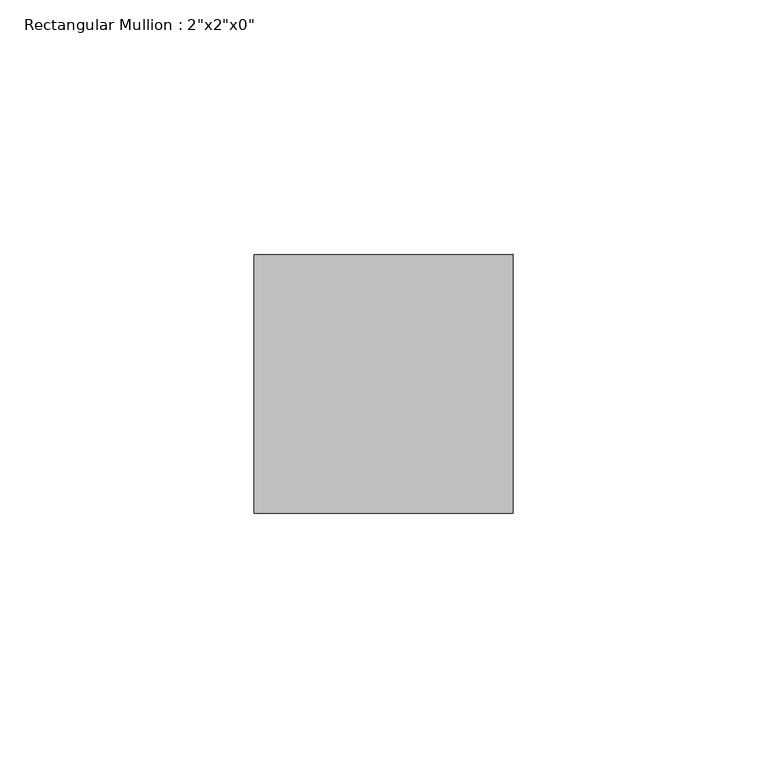
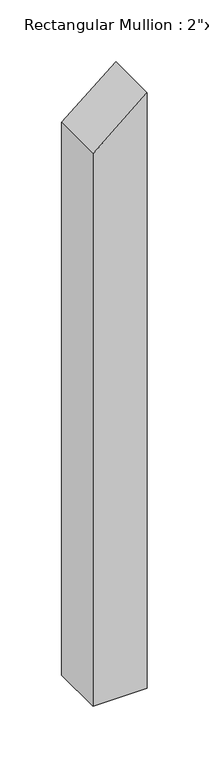
"""IFC4 building model written with IfcOpenShell, lengths in millimetres: member geometry."""

from ifc_helpers import new_model, si_unit, frame, origin, place, context, project, spatial, polyline, outline, extrude, source, transform, mapped, element, save


def member_6f09becf(model_context):
    return source(origin(), model_context, "Body", "SweptSolid", [
        extrude(outline(polyline([(-33.0425367, 0.0), (-75.3106916, -50.8), (-621.9247799, -50.8), (-621.9247799, 0.0), (-33.0425367, 0.0)])), frame((0.0, -25.4, 0.0), z_axis=(0.0, 1.0, 0.0), x_axis=(0.0, 0.0, 1.0)), (0.0, 0.0, 1.0), 50.8),
    ])


if __name__ == "__main__":
    model = new_model("IFC4")
    model_context = context("Model", 3, world=origin())
    ifc_project = project(units=[si_unit("LENGTHUNIT", "METRE", prefix="MILLI")], contexts=[model_context])
    site = spatial("IfcSite", under=ifc_project)
    building = spatial("IfcBuilding", under=site)
    placement = place(None, origin())
    member_shape = member_6f09becf(model_context)
    element("IfcMember", 1, ObjectType="Rectangular Mullion : 2\"x2\"x0\"", at=placement, inside=building, context=model_context, shape_type="MappedRepresentation", body=[
        mapped(member_shape, transform((0.0, 0.0, 0.0), x_axis=(1.0, 0.0, 0.0), y_axis=(0.0, 1.0, 0.0), z_axis=(0.0, 0.0, 1.0))),
    ])
    save(model, "model.ifc")
